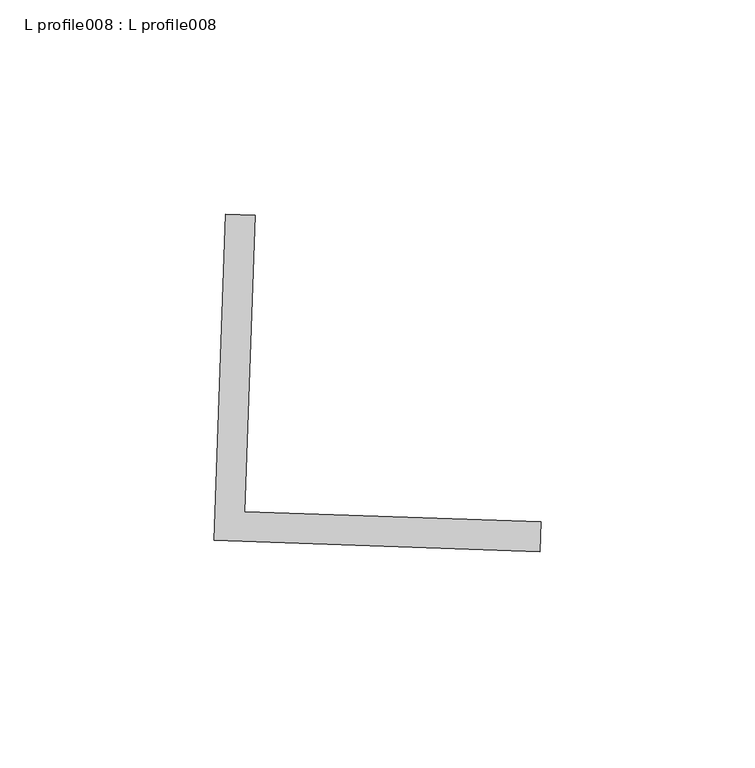
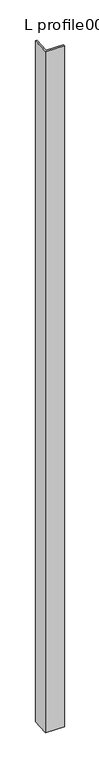
"""IFC4 building model written with IfcOpenShell, lengths in millimetres: proxy geometry, L profile008 : L profile008."""

from ifc_helpers import new_model, si_unit, frame, origin, place, context, project, spatial, polyline, outline, extrude, source, transform, mapped, element, save


def l_profile008_l_profile008_570a41fd(model_context):
    return source(origin(), model_context, "Body", "SweptSolid", [
        extrude(outline(polyline([(18011.0355435, -14696.6338337), (18013.7118693, -14620.4808477), (18020.6494807, -14620.7246636), (18018.2169709, -14689.9400381), (18087.4323454, -14692.372548), (18087.1885295, -14699.3101595), (18011.0355435, -14696.6338337)])), frame((0.0, 0.0, 73.975708), z_axis=(0.0, 0.0, 1.0), x_axis=(1.0, 0.0, 0.0)), (0.0, 0.0, 1.0), 2959.106901),
    ])


if __name__ == "__main__":
    model = new_model("IFC4")
    model_context = context("Model", 3, world=origin())
    ifc_project = project(units=[si_unit("LENGTHUNIT", "METRE", prefix="MILLI")], contexts=[model_context])
    site = spatial("IfcSite", under=ifc_project)
    building = spatial("IfcBuilding", under=site)
    placement = place(None, origin())
    l_profile008_l_profile008_shape = l_profile008_l_profile008_570a41fd(model_context)
    element("IfcBuildingElementProxy", 1, Name="L profile008 : L profile008", ObjectType="L profile008 : L profile008", at=placement, inside=building, context=model_context, shape_type="MappedRepresentation", body=[
        mapped(l_profile008_l_profile008_shape, transform((0.0, 0.0, 0.0), x_axis=(1.0, 0.0, 0.0), y_axis=(0.0, 1.0, 0.0), z_axis=(0.0, 0.0, 1.0))),
    ])
    save(model, "model.ifc")
